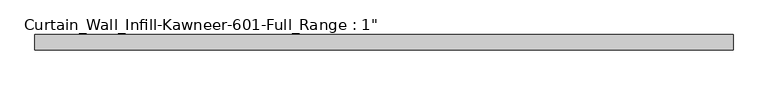
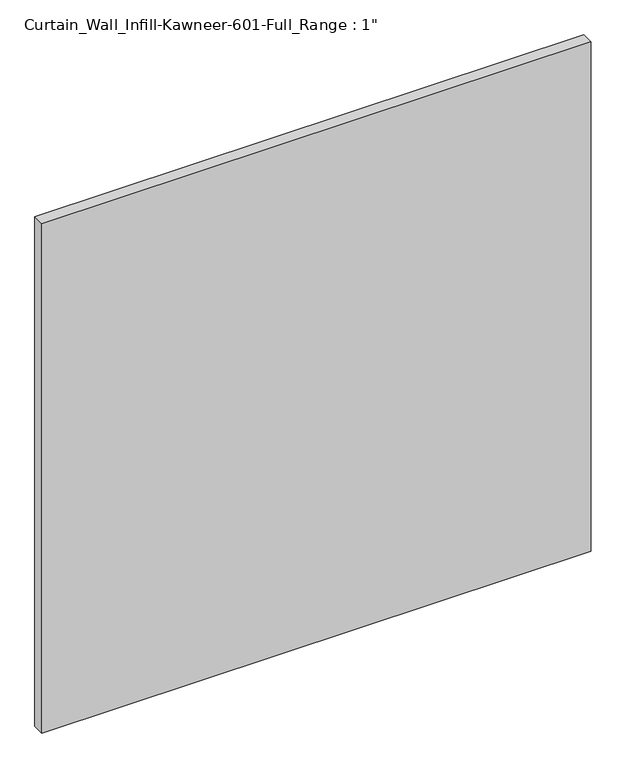
"""IFC4 building model written with IfcOpenShell, lengths in millimetres: plate geometry."""

from ifc_helpers import new_model, si_unit, origin, origin_with_axes, place, context, project, spatial, polyline, outline, extrude, source, transform, mapped, element, save


def plate_89ad3be9(model_context):
    return source(origin(), model_context, "Body", "SweptSolid", [
        extrude(outline(polyline([(-586.3166667, 12.7), (586.3166667, 12.7), (586.3166667, -12.7), (-586.3166667, -12.7), (-586.3166667, 12.7)])), origin_with_axes(), (0.0, 0.0, 1.0), 1149.35),
    ])


if __name__ == "__main__":
    model = new_model("IFC4")
    model_context = context("Model", 3, world=origin())
    ifc_project = project(units=[si_unit("LENGTHUNIT", "METRE", prefix="MILLI")], contexts=[model_context])
    site = spatial("IfcSite", under=ifc_project)
    building = spatial("IfcBuilding", under=site)
    placement = place(None, origin())
    plate_shape = plate_89ad3be9(model_context)
    element("IfcPlate", 1, ObjectType="Curtain_Wall_Infill-Kawneer-601-Full_Range : 1\"", at=placement, inside=building, context=model_context, shape_type="MappedRepresentation", body=[
        mapped(plate_shape, transform((0.0, 0.0, 0.0), x_axis=(1.0, 0.0, 0.0), y_axis=(0.0, 1.0, 0.0), z_axis=(0.0, 0.0, 1.0))),
    ])
    save(model, "model.ifc")
